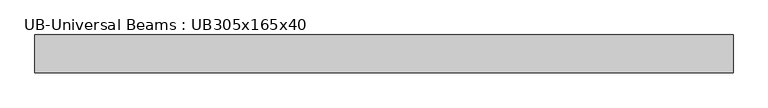
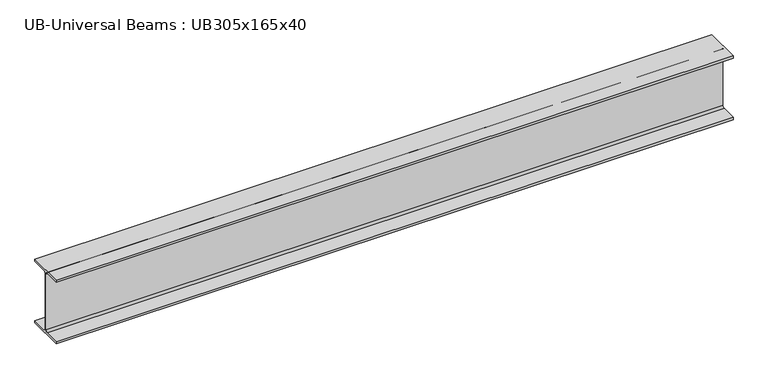
"""IFC4 building model written with IfcOpenShell, lengths in millimetres: beam geometry, UB-Universal Beams : UB305x165x40."""

from ifc_helpers import new_model, si_unit, point, frame, frame_2d, origin, place, context, project, spatial, polyline, circle_curve, trimmed, segment, composite_curve, outline, extrude, source, transform, mapped, element, save


def ub_universal_beams_ub305x165x40_0b69d3e0(model_context):
    return source(origin(), model_context, "Body", "SweptSolid", [
        extrude(outline(composite_curve([segment(polyline([(82.5, -141.5), (82.5, -151.7), (-82.5, -151.7), (-82.5, -141.5), (-11.9, -141.5)]), True, "CONTINUOUS"), segment(trimmed(circle_curve(frame_2d((-11.9, -132.6)), 8.9), [point((-11.9, -141.5))], [point((-3.0, -132.6))], True, "CARTESIAN"), True, "CONTINUOUS"), segment(polyline([(-3.0, -132.6), (-3.0, 132.6)]), True, "CONTINUOUS"), segment(trimmed(circle_curve(frame_2d((-11.9, 132.6)), 8.9), [point((-3.0, 132.6))], [point((-11.9, 141.5))], True, "CARTESIAN"), True, "CONTINUOUS"), segment(polyline([(-11.9, 141.5), (-82.5, 141.5), (-82.5, 151.7), (82.5, 151.7), (82.5, 141.5), (11.9, 141.5)]), True, "CONTINUOUS"), segment(trimmed(circle_curve(frame_2d((11.9, 132.6)), 8.9), [point((11.9, 141.5))], [point((3.0, 132.6))], True, "CARTESIAN"), True, "CONTINUOUS"), segment(polyline([(3.0, 132.6), (3.0, -132.6)]), True, "CONTINUOUS"), segment(trimmed(circle_curve(frame_2d((11.9, -132.6)), 8.9), [point((3.0, -132.6))], [point((11.9, -141.5))], True, "CARTESIAN"), True, "CONTINUOUS"), segment(polyline([(11.9, -141.5), (82.5, -141.5)]), True, "CONTINUOUS")], self_intersect=False)), frame((-1442.5, 0.0, 0.0), z_axis=(1.0, 0.0, 0.0), x_axis=(0.0, 1.0, 0.0)), (0.0, 0.0, 1.0), 3050.0),
    ])


if __name__ == "__main__":
    model = new_model("IFC4")
    model_context = context("Model", 3, world=origin())
    ifc_project = project(units=[si_unit("LENGTHUNIT", "METRE", prefix="MILLI")], contexts=[model_context])
    site = spatial("IfcSite", under=ifc_project)
    building = spatial("IfcBuilding", under=site)
    placement = place(None, origin())
    ub_universal_beams_ub305x165x40_shape = ub_universal_beams_ub305x165x40_0b69d3e0(model_context)
    element("IfcBeam", 1, ObjectType="UB-Universal Beams : UB305x165x40", at=placement, inside=building, context=model_context, shape_type="MappedRepresentation", body=[
        mapped(ub_universal_beams_ub305x165x40_shape, transform((0.0, 0.0, 0.0), x_axis=(1.0, 0.0, 0.0), y_axis=(0.0, 1.0, 0.0), z_axis=(0.0, 0.0, 1.0))),
    ])
    save(model, "model.ifc")
